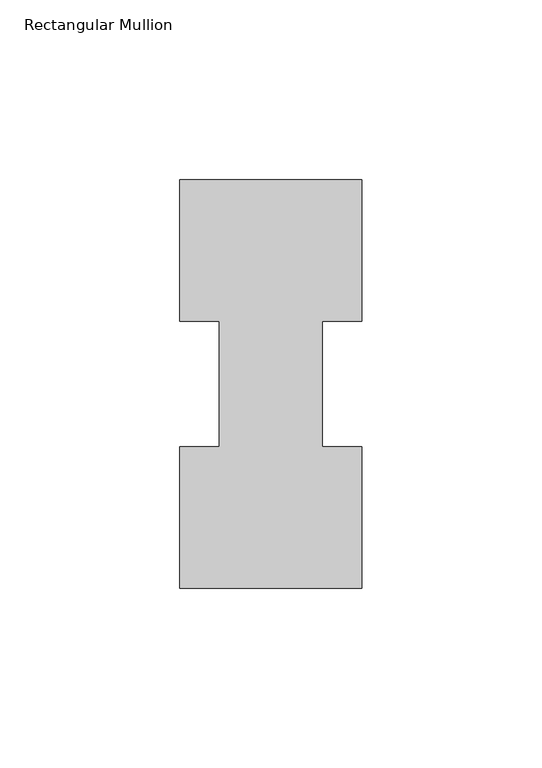
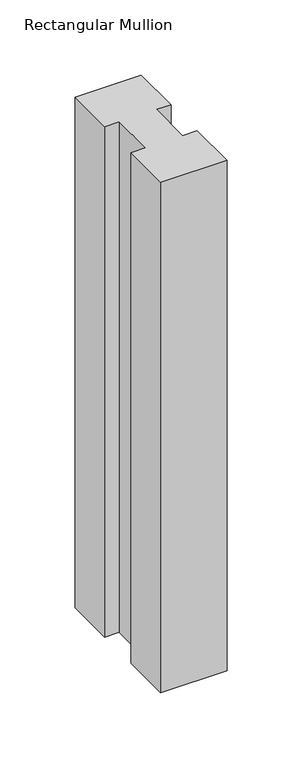
"""IFC4 building model written with IfcOpenShell, lengths in millimetres: member geometry, Rectangular Mullion."""

from ifc_helpers import new_model, si_unit, frame, origin, place, context, project, spatial, polyline, outline, extrude, source, transform, mapped, element, save


def rectangular_mullion_7c2a24ff(model_context):
    return source(origin(), model_context, "Body", "SweptSolid", [
        extrude(outline(polyline([(-50.8, 114.017425), (0.0, 114.017425), (0.0, 74.596625), (-11.0998, 74.596625), (-11.0998, 39.646225), (0.0, 39.646225), (0.0, 0.225425), (-50.8, 0.225425), (-50.8, 39.646225), (-39.6875, 39.646225), (-39.6875, 74.596625), (-50.8, 74.596625), (-50.8, 114.017425)])), frame((0.0, 0.0, -414.3375), z_axis=(0.0, 0.0, 1.0), x_axis=(1.0, 0.0, 0.0)), (0.0, 0.0, 1.0), 414.3375),
    ])


if __name__ == "__main__":
    model = new_model("IFC4")
    model_context = context("Model", 3, world=origin())
    ifc_project = project(units=[si_unit("LENGTHUNIT", "METRE", prefix="MILLI")], contexts=[model_context])
    site = spatial("IfcSite", under=ifc_project)
    building = spatial("IfcBuilding", under=site)
    placement = place(None, origin())
    rectangular_mullion_shape = rectangular_mullion_7c2a24ff(model_context)
    element("IfcMember", 1, ObjectType="Rectangular Mullion", at=placement, inside=building, context=model_context, shape_type="MappedRepresentation", body=[
        mapped(rectangular_mullion_shape, transform((0.0, 0.0, 0.0), x_axis=(1.0, 0.0, 0.0), y_axis=(0.0, 1.0, 0.0), z_axis=(0.0, 0.0, 1.0))),
    ])
    save(model, "model.ifc")
